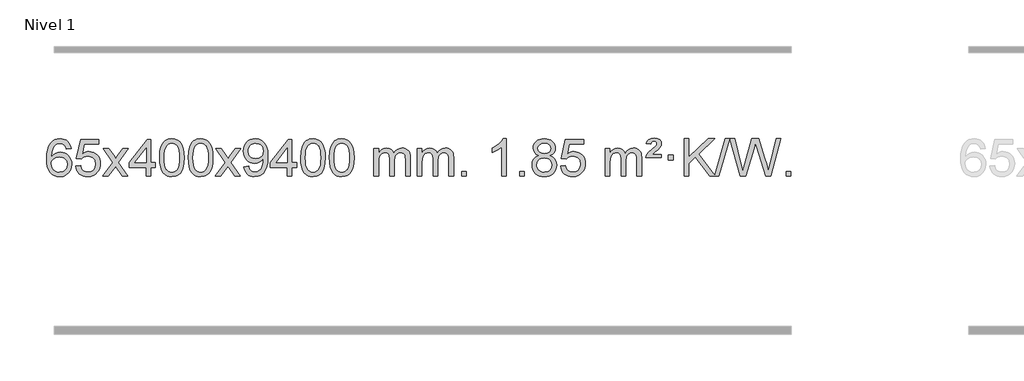
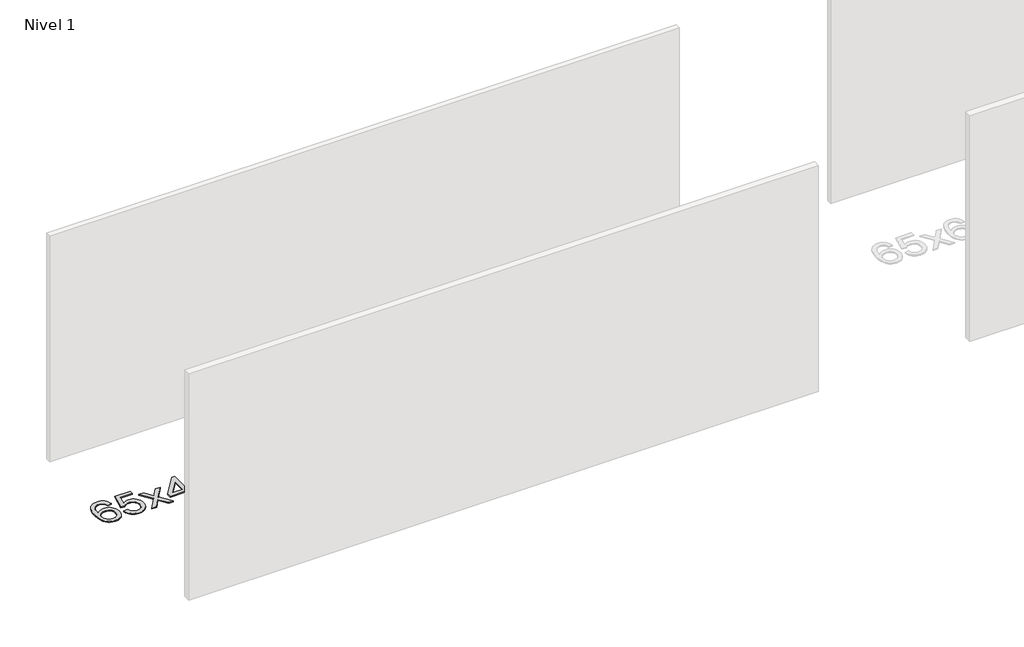
# One storey, part 4 of 12: 1 proxy.
"""IFC4 building model written with IfcOpenShell, lengths in millimetres."""

from ifc_helpers import new_model, si_unit, origin, origin_with_axes, place, context, project, spatial, polyline, outline, extrude, element, save

model = new_model("IFC4")

# Units and contexts
model_context = context("Model", 3, world=origin())
ifc_project = project(units=[si_unit("LENGTHUNIT", "METRE", prefix="MILLI")], contexts=[model_context])

# Site, building, storey
site = spatial("IfcSite", under=ifc_project)
building = spatial("IfcBuilding", under=site)
storey = spatial("IfcBuildingStorey", under=building, Name="Nivel 1", Elevation=0.0)

# Proxy
placement = place(None, origin())
element("IfcBuildingElementProxy", 1, Name="Texto de modelo 1", ObjectType="Texto de modelo 1", at=placement, inside=storey, context=model_context, shape_type="SweptSolid", body=[
    extrude(outline(polyline([(-11452.5741406, -3100.4890419), (-11502.8022957, -3106.7675613), (-11510.8956996, -3081.874213), (-11521.8340576, -3064.8780648), (-11544.6182158, -3049.2062918), (-11572.1603145, -3043.9823675), (-11595.5085585, -3047.0235253), (-11617.4833763, -3056.1469988), (-11636.3557227, -3075.3627017), (-11651.7699783, -3101.8134171), (-11662.1810387, -3139.227016), (-11666.0437997, -3191.3313693), (-11645.8961291, -3167.8237098), (-11621.7508075, -3151.2567573), (-11594.9567355, -3141.434308), (-11566.8628138, -3138.1601582), (-11542.7297549, -3140.398107), (-11520.4606315, -3147.1119534), (-11500.0554435, -3158.3016975), (-11481.5141909, -3173.9673391), (-11466.1060667, -3193.1769106), (-11455.1002637, -3214.9984443), (-11448.4967818, -3239.4319401), (-11446.2956212, -3266.4773982), (-11450.440425, -3302.4439945), (-11462.8748365, -3335.786366), (-11482.568786, -3364.0642287), (-11508.4922039, -3384.8372987), (-11539.4678679, -3397.602804), (-11574.3185556, -3401.8579724), (-11604.2610843, -3399.0375437), (-11631.3034766, -3390.5762579), (-11655.4457325, -3376.4741147), (-11676.6878521, -3356.7311143), (-11694.005897, -3330.5133908), (-11706.3759291, -3296.9870783), (-11713.7979483, -3256.1521768), (-11716.2719548, -3208.0086864), (-11713.5251025, -3154.0342663), (-11705.2845458, -3107.9693092), (-11691.5502847, -3069.8138149), (-11672.3223191, -3039.5677835), (-11651.481804, -3019.5243462), (-11627.3180883, -3005.2076052), (-11599.8311719, -2996.6175606), (-11569.0210548, -2993.7542124), (-11545.8874087, -2995.5261773), (-11524.9487918, -3000.8420722), (-11506.2052042, -3009.7018969), (-11489.6566457, -3022.1056515), (-11475.7507063, -3037.6364031), (-11464.9349757, -3055.8772186), (-11457.2094538, -3076.8280983), (-11452.5741406, -3100.4890419)]), holes=[polyline([(-11666.0437997, -3265.6925832), (-11663.1375319, -3287.9494439), (-11654.4187286, -3309.2007605), (-11640.8806712, -3327.472233), (-11623.516641, -3340.7895612), (-11602.5596301, -3348.9197533), (-11578.2426302, -3351.6298173), (-11545.0964624, -3346.0134855), (-11531.1813259, -3338.9930708), (-11519.0381544, -3329.1644901), (-11509.188114, -3316.9262824), (-11502.1523708, -3302.6769865), (-11496.5237763, -3268.1451299), (-11502.0787944, -3234.9989621), (-11509.0225671, -3221.3781312), (-11518.7438488, -3209.725469), (-11530.9238085, -3200.3904634), (-11545.2436152, -3193.7226022), (-11580.3027693, -3188.3883133), (-11613.3998862, -3193.7226022), (-11641.0768749, -3209.725469), (-11651.9999045, -3221.2248471), (-11659.8020685, -3234.3858254), (-11664.4833669, -3249.2084042), (-11666.0437997, -3265.6925832)])]), origin_with_axes(), (0.0, 0.0, 1.0), 10.0),
    extrude(outline(polyline([(-11402.3459855, -3288.8446235), (-11352.1178305, -3282.5661041), (-11342.8962551, -3312.7201649), (-11326.8075492, -3334.3148381), (-11303.9252891, -3347.3010725), (-11274.3230512, -3351.6298173), (-11255.1931875, -3350.1245668), (-11238.3196666, -3345.6088153), (-11223.7024887, -3338.0825628), (-11211.3416537, -3327.5458094), (-11201.513073, -3314.519721), (-11194.4926583, -3299.5254641), (-11188.8763265, -3263.6324441), (-11194.137039, -3229.8363514), (-11200.7129297, -3215.9181493), (-11209.9191766, -3203.9865099), (-11221.7864366, -3194.4154467), (-11236.3453666, -3187.5789729), (-11273.5382363, -3182.1097939), (-11297.9042871, -3184.2925604), (-11317.6350248, -3190.8408599), (-11333.3926369, -3200.8717757), (-11345.8393111, -3213.5023908), (-11396.0674662, -3207.2238715), (-11352.1178305, -3000.0327318), (-11157.4837296, -3000.0327318), (-11157.4837296, -3050.2608869), (-11311.5036582, -3050.2608869), (-11332.9879667, -3160.919791), (-11315.2621859, -3148.2155994), (-11297.1072095, -3139.1411769), (-11278.5230373, -3133.6965234), (-11259.5096696, -3131.8816388), (-11235.0485826, -3134.1318504), (-11212.5801897, -3140.882485), (-11192.104491, -3152.1335427), (-11173.6214864, -3167.8850234), (-11158.3206611, -3187.1743027), (-11147.3915002, -3209.038756), (-11140.8340036, -3233.4783832), (-11138.6481714, -3260.4931844), (-11140.6163401, -3286.5147042), (-11146.5208461, -3310.7213394), (-11156.3616895, -3333.1130902), (-11170.1388702, -3353.6899565), (-11191.0100421, -3374.7634634), (-11215.3638301, -3389.8159684), (-11243.2002344, -3398.8474714), (-11274.519255, -3401.8579724), (-11300.4396072, -3399.9235262), (-11323.8522305, -3394.1201877), (-11344.7571249, -3384.447957), (-11363.1542903, -3370.9068338), (-11378.461247, -3354.1712688), (-11390.0955151, -3334.915712), (-11398.0570946, -3313.1401636), (-11402.3459855, -3288.8446235)])), origin_with_axes(), (0.0, 0.0, 1.0), 10.0),
    extrude(outline(polyline([(-11113.5340939, -3395.579453), (-11006.2106531, -3247.2494325), (-11107.2555745, -3100.4890419), (-11046.8248254, -3100.4890419), (-10998.0681983, -3171.122385), (-10975.3085655, -3204.4770192), (-10955.5900906, -3177.2047007), (-10900.0644348, -3100.4890419), (-10839.6336857, -3100.4890419), (-10945.7799041, -3247.2494325), (-10843.5577603, -3395.579453), (-10903.9885094, -3395.579453), (-10965.498379, -3306.4048574), (-10976.7800935, -3290.1199477), (-11053.1033448, -3395.579453), (-11113.5340939, -3395.579453)])), origin_with_axes(), (0.0, 0.0, 1.0), 10.0),
    extrude(outline(polyline([(-10648.9236594, -3395.579453), (-10648.9236594, -3301.4016622), (-10831.0007216, -3301.4016622), (-10831.0007216, -3251.1735072), (-10636.3666207, -3000.0327318), (-10598.6955043, -3000.0327318), (-10598.6955043, -3251.1735072), (-10548.4673493, -3251.1735072), (-10548.4673493, -3301.4016622), (-10598.6955043, -3301.4016622), (-10598.6955043, -3395.579453), (-10648.9236594, -3395.579453)]), holes=[polyline([(-10648.9236594, -3251.1735072), (-10648.9236594, -3095.9763561), (-10769.1965464, -3251.1735072), (-10648.9236594, -3251.1735072)])]), origin_with_axes(), (0.0, 0.0, 1.0), 10.0),
    extrude(outline(polyline([(-10504.5177136, -3197.9041943), (-10500.8266309, -3133.5861588), (-10489.7533828, -3082.2911459), (-10471.408334, -3043.2343407), (-10459.550271, -3028.0009605), (-10445.901849, -3015.6309284), (-10430.4170827, -3006.0598651), (-10413.0499869, -2999.2233914), (-10372.6688065, -2993.7542124), (-10341.717668, -2996.991574), (-10314.003891, -3006.7036586), (-10290.8273253, -3022.5103217), (-10273.4878206, -3044.0314184), (-10260.3912216, -3071.0830078), (-10249.9433729, -3103.4811488), (-10243.1007678, -3144.6226186), (-10240.8198994, -3197.9041943), (-10244.4741939, -3261.8543477), (-10255.4370774, -3313.0267333), (-10273.6717616, -3352.1203266), (-10285.5022334, -3367.3996922), (-10299.1414584, -3379.8341036), (-10314.6446188, -3389.4695462), (-10332.066897, -3396.3520052), (-10372.6688065, -3401.8579724), (-10400.3335326, -3399.4667394), (-10424.8589989, -3392.2930405), (-10446.2452055, -3380.3368757), (-10464.4921525, -3363.5982449), (-10482.0033355, -3333.3399508), (-10494.5113233, -3295.6381776), (-10502.016116, -3250.4929255), (-10504.5177136, -3197.9041943)]), holes=[polyline([(-10454.2895585, -3197.8060924), (-10452.8180305, -3241.4706195), (-10448.4034466, -3276.8148822), (-10441.0458067, -3303.8388804), (-10430.7451108, -3322.5426142), (-10418.2861739, -3335.2682656), (-10404.4538109, -3344.3580165), (-10389.2480218, -3349.8118671), (-10372.6688065, -3351.6298173), (-10356.0895913, -3349.8057357), (-10340.8838021, -3344.3334911), (-10327.0514391, -3335.2130833), (-10314.5925022, -3322.4445124), (-10304.2918063, -3303.7101217), (-10296.9341664, -3276.6922549), (-10292.5195825, -3241.3909118), (-10291.0480545, -3197.8060924), (-10292.4705316, -3155.2973278), (-10296.7379627, -3120.5753989), (-10303.8503479, -3093.6403055), (-10313.8076873, -3074.4920476), (-10326.0581577, -3061.1440625), (-10340.0499363, -3051.6097875), (-10355.7830229, -3045.8892225), (-10373.2574177, -3043.9823675), (-10389.7507938, -3045.6623619), (-10404.6990656, -3050.7023452), (-10418.1022329, -3059.1023175), (-10429.9602959, -3070.8622786), (-10440.6043483, -3091.708925), (-10448.2072429, -3119.8151094), (-10452.7689796, -3155.1808319), (-10454.2895585, -3197.8060924)])]), origin_with_axes(), (0.0, 0.0, 1.0), 10.0),
    extrude(outline(polyline([(-10196.8702638, -3197.9041943), (-10193.1791811, -3133.5861588), (-10182.105933, -3082.2911459), (-10163.7608842, -3043.2343407), (-10151.9028212, -3028.0009605), (-10138.2543992, -3015.6309284), (-10122.7696329, -3006.0598651), (-10105.402537, -2999.2233914), (-10065.0213567, -2993.7542124), (-10034.0702182, -2996.991574), (-10006.3564412, -3006.7036586), (-9983.1798755, -3022.5103217), (-9965.8403708, -3044.0314184), (-9952.7437718, -3071.0830078), (-9942.2959231, -3103.4811488), (-9935.453318, -3144.6226186), (-9933.1724496, -3197.9041943), (-9936.8267441, -3261.8543477), (-9947.7896275, -3313.0267333), (-9966.0243118, -3352.1203266), (-9977.8547836, -3367.3996922), (-9991.4940086, -3379.8341036), (-10006.997169, -3389.4695462), (-10024.4194471, -3396.3520052), (-10065.0213567, -3401.8579724), (-10092.6860827, -3399.4667394), (-10117.2115491, -3392.2930405), (-10138.5977557, -3380.3368757), (-10156.8447027, -3363.5982449), (-10174.3558856, -3333.3399508), (-10186.8638735, -3295.6381776), (-10194.3686662, -3250.4929255), (-10196.8702638, -3197.9041943)]), holes=[polyline([(-10146.6421087, -3197.8060924), (-10145.1705807, -3241.4706195), (-10140.7559968, -3276.8148822), (-10133.3983568, -3303.8388804), (-10123.097661, -3322.5426142), (-10110.6387241, -3335.2682656), (-10096.8063611, -3344.3580165), (-10081.6005719, -3349.8118671), (-10065.0213567, -3351.6298173), (-10048.4421414, -3349.8057357), (-10033.2363523, -3344.3334911), (-10019.4039893, -3335.2130833), (-10006.9450524, -3322.4445124), (-9996.6443565, -3303.7101217), (-9989.2867166, -3276.6922549), (-9984.8721327, -3241.3909118), (-9983.4006047, -3197.8060924), (-9984.8230817, -3155.2973278), (-9989.0905129, -3120.5753989), (-9996.2028981, -3093.6403055), (-10006.1602375, -3074.4920476), (-10018.4107079, -3061.1440625), (-10032.4024864, -3051.6097875), (-10048.1355731, -3045.8892225), (-10065.6099679, -3043.9823675), (-10082.103344, -3045.6623619), (-10097.0516157, -3050.7023452), (-10110.4547831, -3059.1023175), (-10122.3128461, -3070.8622786), (-10132.9568985, -3091.708925), (-10140.559793, -3119.8151094), (-10145.1215298, -3155.1808319), (-10146.6421087, -3197.8060924)])]), origin_with_axes(), (0.0, 0.0, 1.0), 10.0),
    extrude(outline(polyline([(-9908.0583721, -3395.579453), (-9800.7349313, -3247.2494325), (-9901.7798527, -3100.4890419), (-9841.3491036, -3100.4890419), (-9792.5924765, -3171.122385), (-9769.8328437, -3204.4770192), (-9750.1143688, -3177.2047007), (-9694.588713, -3100.4890419), (-9634.1579639, -3100.4890419), (-9740.3041823, -3247.2494325), (-9638.0820385, -3395.579453), (-9698.5127876, -3395.579453), (-9760.0226572, -3306.4048574), (-9771.3043717, -3290.1199477), (-9847.627623, -3395.579453), (-9908.0583721, -3395.579453)])), origin_with_axes(), (0.0, 0.0, 1.0), 10.0),
    extrude(outline(polyline([(-9600.4109222, -3295.1231428), (-9550.1827672, -3288.8446235), (-9541.5988539, -3317.3554781), (-9527.6193381, -3336.7673847), (-9508.5875762, -3347.9142092), (-9484.8469248, -3351.6298173), (-9463.5465573, -3349.2385843), (-9444.1837016, -3342.0648854), (-9428.0949957, -3330.8935355), (-9416.6170774, -3316.5093495), (-9400.185015, -3272.8540194), (-9394.7403615, -3244.4535294), (-9392.925477, -3214.5815114), (-9393.2197826, -3204.7713248), (-9410.6206009, -3226.0103787), (-9433.3924964, -3242.8348486), (-9459.8922628, -3253.7977321), (-9488.4766938, -3257.4520265), (-9512.3369069, -3255.2202091), (-9534.2780022, -3248.5247568), (-9554.2999798, -3237.3656696), (-9572.4028397, -3221.7429475), (-9587.403228, -3202.4720624), (-9598.1177911, -3180.3684858), (-9604.546529, -3155.4322179), (-9606.6894416, -3127.6632586), (-9604.4422958, -3098.968463), (-9597.7008582, -3073.2167234), (-9586.4651289, -3050.4080397), (-9570.735108, -3030.5424119), (-9551.6205726, -3014.4475746), (-9530.2313003, -3002.9512623), (-9506.567291, -2996.0534749), (-9480.6285446, -2993.7542124), (-9443.1658948, -2999.0026622), (-9409.0632338, -3014.7480116), (-9380.5401165, -3040.2054457), (-9359.8160974, -3074.5901495), (-9347.197745, -3122.1205032), (-9342.9916275, -3187.0148872), (-9347.1854822, -3255.821083), (-9359.7670465, -3309.0045568), (-9380.6259556, -3348.9688042), (-9394.1180278, -3364.8950289), (-9409.651845, -3378.117321), (-9426.9147076, -3388.503856), (-9445.5939159, -3395.9228095), (-9487.2013696, -3401.8579724), (-9509.7586673, -3400.1074672), (-9530.1454612, -3394.8559517), (-9548.3617513, -3386.1034259), (-9564.4075376, -3373.8498898), (-9577.87815, -3358.4264372), (-9588.3689183, -3340.1641618), (-9595.8798423, -3319.0630637), (-9600.4109222, -3295.1231428)]), holes=[polyline([(-9393.2197826, -3126.4860363), (-9398.6399106, -3092.444689), (-9405.4150707, -3078.3670713), (-9414.9002948, -3066.2514909), (-9426.6295991, -3056.5087494), (-9440.1369997, -3049.5496483), (-9472.4860898, -3043.9823675), (-9490.0953746, -3045.4814866), (-9506.0369277, -3049.978844), (-9520.3107492, -3057.4744396), (-9532.9168389, -3067.9682736), (-9543.2175347, -3080.8472091), (-9550.5751746, -3095.4981095), (-9554.9897586, -3111.9209749), (-9556.4612865, -3130.1158053), (-9550.8940057, -3161.1527829), (-9543.9349046, -3174.2708417), (-9534.1921631, -3185.7886139), (-9522.0704514, -3195.1665391), (-9507.9744396, -3201.8650571), (-9473.8595159, -3207.2238715), (-9441.7679432, -3201.8650571), (-9415.9303644, -3185.7886139), (-9405.9944848, -3174.0439812), (-9398.897428, -3160.2453407), (-9393.2197826, -3126.4860363)])]), origin_with_axes(), (0.0, 0.0, 1.0), 10.0),
    extrude(outline(polyline([(-9135.8004878, -3395.579453), (-9135.8004878, -3301.4016622), (-9317.8775499, -3301.4016622), (-9317.8775499, -3251.1735072), (-9123.243449, -3000.0327318), (-9085.5723327, -3000.0327318), (-9085.5723327, -3251.1735072), (-9035.3441776, -3251.1735072), (-9035.3441776, -3301.4016622), (-9085.5723327, -3301.4016622), (-9085.5723327, -3395.579453), (-9135.8004878, -3395.579453)]), holes=[polyline([(-9135.8004878, -3251.1735072), (-9135.8004878, -3095.9763561), (-9256.0733748, -3251.1735072), (-9135.8004878, -3251.1735072)])]), origin_with_axes(), (0.0, 0.0, 1.0), 10.0),
    extrude(outline(polyline([(-8991.394542, -3197.9041943), (-8987.7034593, -3133.5861588), (-8976.6302112, -3082.2911459), (-8958.2851624, -3043.2343407), (-8946.4270994, -3028.0009605), (-8932.7786774, -3015.6309284), (-8917.2939111, -3006.0598651), (-8899.9268152, -2999.2233914), (-8859.5456349, -2993.7542124), (-8828.5944964, -2996.991574), (-8800.8807194, -3006.7036586), (-8777.7041537, -3022.5103217), (-8760.364649, -3044.0314184), (-8747.26805, -3071.0830078), (-8736.8202013, -3103.4811488), (-8729.9775962, -3144.6226186), (-8727.6967278, -3197.9041943), (-8731.3510223, -3261.8543477), (-8742.3139058, -3313.0267333), (-8760.54859, -3352.1203266), (-8772.3790618, -3367.3996922), (-8786.0182868, -3379.8341036), (-8801.5214472, -3389.4695462), (-8818.9437253, -3396.3520052), (-8859.5456349, -3401.8579724), (-8887.2103609, -3399.4667394), (-8911.7358273, -3392.2930405), (-8933.1220339, -3380.3368757), (-8951.3689809, -3363.5982449), (-8968.8801639, -3333.3399508), (-8981.3881517, -3295.6381776), (-8988.8929444, -3250.4929255), (-8991.394542, -3197.9041943)]), holes=[polyline([(-8941.1663869, -3197.8060924), (-8939.6948589, -3241.4706195), (-8935.280275, -3276.8148822), (-8927.9226351, -3303.8388804), (-8917.6219392, -3322.5426142), (-8905.1630023, -3335.2682656), (-8891.3306393, -3344.3580165), (-8876.1248501, -3349.8118671), (-8859.5456349, -3351.6298173), (-8842.9664196, -3349.8057357), (-8827.7606305, -3344.3334911), (-8813.9282675, -3335.2130833), (-8801.4693306, -3322.4445124), (-8791.1686347, -3303.7101217), (-8783.8109948, -3276.6922549), (-8779.3964109, -3241.3909118), (-8777.9248829, -3197.8060924), (-8779.3473599, -3155.2973278), (-8783.6147911, -3120.5753989), (-8790.7271763, -3093.6403055), (-8800.6845157, -3074.4920476), (-8812.9349861, -3061.1440625), (-8826.9267646, -3051.6097875), (-8842.6598513, -3045.8892225), (-8860.1342461, -3043.9823675), (-8876.6276222, -3045.6623619), (-8891.5758939, -3050.7023452), (-8904.9790613, -3059.1023175), (-8916.8371243, -3070.8622786), (-8927.4811767, -3091.708925), (-8935.0840712, -3119.8151094), (-8939.645808, -3155.1808319), (-8941.1663869, -3197.8060924)])]), origin_with_axes(), (0.0, 0.0, 1.0), 10.0),
    extrude(outline(polyline([(-8683.7470921, -3197.9041943), (-8680.0560094, -3133.5861588), (-8668.9827614, -3082.2911459), (-8650.6377126, -3043.2343407), (-8638.7796496, -3028.0009605), (-8625.1312276, -3015.6309284), (-8609.6464612, -3006.0598651), (-8592.2793654, -2999.2233914), (-8551.8981851, -2993.7542124), (-8520.9470465, -2996.991574), (-8493.2332696, -3006.7036586), (-8470.0567039, -3022.5103217), (-8452.7171992, -3044.0314184), (-8439.6206001, -3071.0830078), (-8429.1727515, -3103.4811488), (-8422.3301463, -3144.6226186), (-8420.049278, -3197.9041943), (-8423.7035725, -3261.8543477), (-8434.6664559, -3313.0267333), (-8452.9011401, -3352.1203266), (-8464.731612, -3367.3996922), (-8478.3708369, -3379.8341036), (-8493.8739974, -3389.4695462), (-8511.2962755, -3396.3520052), (-8551.8981851, -3401.8579724), (-8579.5629111, -3399.4667394), (-8604.0883774, -3392.2930405), (-8625.4745841, -3380.3368757), (-8643.721531, -3363.5982449), (-8661.232714, -3333.3399508), (-8673.7407019, -3295.6381776), (-8681.2454946, -3250.4929255), (-8683.7470921, -3197.9041943)]), holes=[polyline([(-8633.518937, -3197.8060924), (-8632.0474091, -3241.4706195), (-8627.6328251, -3276.8148822), (-8620.2751852, -3303.8388804), (-8609.9744894, -3322.5426142), (-8597.5155525, -3335.2682656), (-8583.6831894, -3344.3580165), (-8568.4774003, -3349.8118671), (-8551.8981851, -3351.6298173), (-8535.3189698, -3349.8057357), (-8520.1131807, -3344.3334911), (-8506.2808176, -3335.2130833), (-8493.8218807, -3322.4445124), (-8483.5211849, -3303.7101217), (-8476.163545, -3276.6922549), (-8471.748961, -3241.3909118), (-8470.2774331, -3197.8060924), (-8471.6999101, -3155.2973278), (-8475.9673412, -3120.5753989), (-8483.0797265, -3093.6403055), (-8493.0370658, -3074.4920476), (-8505.2875363, -3061.1440625), (-8519.2793148, -3051.6097875), (-8535.0124015, -3045.8892225), (-8552.4867962, -3043.9823675), (-8568.9801724, -3045.6623619), (-8583.9284441, -3050.7023452), (-8597.3316115, -3059.1023175), (-8609.1896744, -3070.8622786), (-8619.8337268, -3091.708925), (-8627.4366214, -3119.8151094), (-8631.9983581, -3155.1808319), (-8633.518937, -3197.8060924)])]), origin_with_axes(), (0.0, 0.0, 1.0), 10.0),
    extrude(outline(polyline([(-8206.5796189, -3395.579453), (-8206.5796189, -3100.4890419), (-8156.3514638, -3100.4890419), (-8156.3514638, -3149.0494653), (-8141.2437766, -3126.7435537), (-8121.8196072, -3109.2691589), (-8098.7411434, -3097.9751816), (-8072.6705727, -3094.2105225), (-8044.7360665, -3098.048758), (-8022.3443157, -3109.5634645), (-8005.6179477, -3127.9943524), (-7994.6795897, -3152.5811324), (-7976.3713291, -3127.0439906), (-7955.4878945, -3108.803175), (-7932.0292859, -3097.8586857), (-7905.9955034, -3094.2105225), (-7885.8876867, -3095.7280358), (-7868.2385479, -3100.2805755), (-7853.0480872, -3107.8681416), (-7840.3163045, -3118.4907342), (-7830.2516663, -3132.2709806), (-7823.0626389, -3149.3315082), (-7818.7492225, -3169.6723168), (-7817.3114171, -3193.2934066), (-7817.3114171, -3395.579453), (-7867.5395722, -3395.579453), (-7867.5395722, -3214.875817), (-7868.7045318, -3189.8230531), (-7872.1994108, -3172.9372695), (-7878.7477103, -3161.3735121), (-7889.0729316, -3152.2868268), (-7902.3534716, -3146.4007149), (-7917.7677272, -3144.4386776), (-7944.9787321, -3149.4663982), (-7967.1620165, -3164.54956), (-7975.7673895, -3176.1194488), (-7981.9140845, -3190.7182326), (-7986.8314405, -3229.0024856), (-7986.8314405, -3395.579453), (-8037.0595955, -3395.579453), (-8037.0595955, -3209.2840106), (-8039.9658633, -3180.8835206), (-8048.6846666, -3160.6254854), (-8064.0253458, -3148.4853796), (-8086.7972413, -3144.4386776), (-8106.1478342, -3147.1364789), (-8123.9778483, -3155.2298828), (-8138.6931281, -3168.5226856), (-8148.6995183, -3186.8186835), (-8154.4384775, -3212.2025411), (-8156.3514638, -3246.7589232), (-8156.3514638, -3395.579453), (-8206.5796189, -3395.579453)])), origin_with_axes(), (0.0, 0.0, 1.0), 10.0),
    extrude(outline(polyline([(-7741.9691845, -3395.579453), (-7741.9691845, -3100.4890419), (-7691.7410294, -3100.4890419), (-7691.7410294, -3149.0494653), (-7676.6333421, -3126.7435537), (-7657.2091728, -3109.2691589), (-7634.130709, -3097.9751816), (-7608.0601382, -3094.2105225), (-7580.1256321, -3098.048758), (-7557.7338813, -3109.5634645), (-7541.0075132, -3127.9943524), (-7530.0691552, -3152.5811324), (-7511.7608946, -3127.0439906), (-7490.87746, -3108.803175), (-7467.4188515, -3097.8586857), (-7441.3850689, -3094.2105225), (-7421.2772522, -3095.7280358), (-7403.6281135, -3100.2805755), (-7388.4376528, -3107.8681416), (-7375.7058701, -3118.4907342), (-7365.6412318, -3132.2709806), (-7358.4522045, -3149.3315082), (-7354.1387881, -3169.6723168), (-7352.7009826, -3193.2934066), (-7352.7009826, -3395.579453), (-7402.9291377, -3395.579453), (-7402.9291377, -3214.875817), (-7404.0940974, -3189.8230531), (-7407.5889763, -3172.9372695), (-7414.1372758, -3161.3735121), (-7424.4624972, -3152.2868268), (-7437.7430372, -3146.4007149), (-7453.1572928, -3144.4386776), (-7480.3682977, -3149.4663982), (-7502.551582, -3164.54956), (-7511.156955, -3176.1194488), (-7517.30365, -3190.7182326), (-7522.221006, -3229.0024856), (-7522.221006, -3395.579453), (-7572.4491611, -3395.579453), (-7572.4491611, -3209.2840106), (-7575.3554289, -3180.8835206), (-7584.0742321, -3160.6254854), (-7599.4149113, -3148.4853796), (-7622.1868068, -3144.4386776), (-7641.5373998, -3147.1364789), (-7659.3674138, -3155.2298828), (-7674.0826936, -3168.5226856), (-7684.0890839, -3186.8186835), (-7689.828043, -3212.2025411), (-7691.7410294, -3246.7589232), (-7691.7410294, -3395.579453), (-7741.9691845, -3395.579453)])), origin_with_axes(), (0.0, 0.0, 1.0), 10.0),
    extrude(outline(polyline([(-7264.8017113, -3395.579453), (-7264.8017113, -3345.3512979), (-7214.5735562, -3345.3512979), (-7214.5735562, -3395.579453), (-7264.8017113, -3395.579453)])), origin_with_axes(), (0.0, 0.0, 1.0), 10.0),
    extrude(outline(polyline([(-6787.634238, -3395.579453), (-6837.8623931, -3395.579453), (-6837.8623931, -3082.4382987), (-6858.8316668, -3099.3976587), (-6885.4417978, -3116.3324932), (-6938.3187033, -3141.6918254), (-6938.3187033, -3094.2105225), (-6898.8694907, -3072.7507395), (-6864.6932533, -3047.219729), (-6837.7520285, -3020.0700378), (-6820.0078536, -2993.7542124), (-6787.634238, -2993.7542124), (-6787.634238, -3395.579453)])), origin_with_axes(), (0.0, 0.0, 1.0), 10.0),
    extrude(outline(polyline([(-6643.2282922, -3395.579453), (-6643.2282922, -3345.3512979), (-6593.0001371, -3345.3512979), (-6593.0001371, -3395.579453), (-6643.2282922, -3395.579453)])), origin_with_axes(), (0.0, 0.0, 1.0), 10.0),
    extrude(outline(polyline([(-6438.1953936, -3174.2616447), (-6465.0875674, -3161.0178929), (-6483.9599138, -3143.0652515), (-6495.1067382, -3120.7716026), (-6498.8223464, -3094.5048281), (-6496.7989954, -3074.0199324), (-6490.7289425, -3055.2395565), (-6480.6121876, -3038.1637006), (-6466.4487308, -3022.7923645), (-6448.9191537, -3010.088173), (-6428.7040381, -3001.0137504), (-6405.8033839, -2995.5690969), (-6380.2171911, -2993.7542124), (-6354.508371, -2995.6120165), (-6331.4360386, -3001.1854287), (-6311.0001937, -3010.4744491), (-6293.2008365, -3023.4790776), (-6278.7798623, -3039.1508506), (-6268.4791665, -3056.4413044), (-6262.2987489, -3075.3504389), (-6260.2386098, -3095.8782543), (-6263.905167, -3121.2989001), (-6274.9048386, -3143.2124043), (-6293.3602521, -3161.0546811), (-6319.3940346, -3174.2616447), (-6288.4796843, -3190.1909351), (-6265.9775689, -3213.6495436), (-6252.2555705, -3243.5092989), (-6247.681571, -3278.6420295), (-6249.9501766, -3303.6947933), (-6256.7559935, -3326.6628926), (-6268.0990217, -3347.5463272), (-6283.9792612, -3366.3450971), (-6303.5628461, -3381.88198), (-6326.0159105, -3392.9797536), (-6351.3384545, -3399.6384177), (-6379.5304781, -3401.8579724), (-6407.7225016, -3399.6292206), (-6433.0450456, -3392.9429654), (-6455.4981101, -3381.7992066), (-6475.0816949, -3366.1979443), (-6490.9619344, -3347.26735), (-6502.3049626, -3326.135595), (-6509.1107795, -3302.8026795), (-6511.3793851, -3277.2686033), (-6506.6214447, -3240.7747094), (-6492.3476233, -3210.7555386), (-6469.2936849, -3188.2411605), (-6438.1953936, -3174.2616447)]), holes=[polyline([(-6461.1512301, -3275.5027698), (-6459.0543027, -3294.7184726), (-6452.7635206, -3313.3210389), (-6441.1507123, -3329.5446349), (-6423.0877063, -3341.623427), (-6401.456245, -3349.1282197), (-6379.1380706, -3351.6298173), (-6344.9495705, -3346.3691048), (-6331.0558938, -3339.7932141), (-6319.2959327, -3330.5869672), (-6303.2562777, -3306.6869002), (-6297.9097261, -3277.0723996), (-6303.427956, -3246.9551269), (-6319.9826458, -3222.5277625), (-6332.061438, -3213.0854579), (-6346.2248948, -3206.3409547), (-6380.8058023, -3200.9453521), (-6414.5160558, -3206.2673783), (-6428.2533826, -3212.919911), (-6439.9121762, -3222.2334569), (-6455.8414666, -3246.1948375), (-6461.1512301, -3275.5027698)]), polyline([(-6448.5941913, -3095.9763561), (-6444.1428192, -3117.902123), (-6430.7887027, -3135.413306), (-6408.9242495, -3146.8912243), (-6378.9418669, -3150.717197), (-6349.6584601, -3146.9157497), (-6328.1251006, -3135.5114079), (-6314.8813488, -3118.5888361), (-6310.4667648, -3098.232699), (-6315.0285016, -3077.1040098), (-6328.7137118, -3059.629615), (-6350.5413768, -3047.8941794), (-6379.5304781, -3043.9823675), (-6408.7035203, -3047.8083402), (-6430.4943971, -3059.2862585), (-6444.0692428, -3076.1107284), (-6448.5941913, -3095.9763561)])]), origin_with_axes(), (0.0, 0.0, 1.0), 10.0),
    extrude(outline(polyline([(-6203.7319353, -3288.8446235), (-6153.5037802, -3282.5661041), (-6144.2822049, -3312.7201649), (-6128.193499, -3334.3148381), (-6105.3112389, -3347.3010725), (-6075.709001, -3351.6298173), (-6056.5791372, -3350.1245668), (-6039.7056164, -3345.6088153), (-6025.0884384, -3338.0825628), (-6012.7276034, -3327.5458094), (-6002.8990228, -3314.519721), (-5995.878608, -3299.5254641), (-5990.2622762, -3263.6324441), (-5995.5229888, -3229.8363514), (-6002.0988794, -3215.9181493), (-6011.3051264, -3203.9865099), (-6023.1723864, -3194.4154467), (-6037.7313163, -3187.5789729), (-6074.9241861, -3182.1097939), (-6099.2902369, -3184.2925604), (-6119.0209745, -3190.8408599), (-6134.7785867, -3200.8717757), (-6147.2252608, -3213.5023908), (-6197.4534159, -3207.2238715), (-6153.5037802, -3000.0327318), (-5958.8696793, -3000.0327318), (-5958.8696793, -3050.2608869), (-6112.889608, -3050.2608869), (-6134.3739165, -3160.919791), (-6116.6481357, -3148.2155994), (-6098.4931592, -3139.1411769), (-6079.9089871, -3133.6965234), (-6060.8956193, -3131.8816388), (-6036.4345323, -3134.1318504), (-6013.9661395, -3140.882485), (-5993.4904407, -3152.1335427), (-5975.0074362, -3167.8850234), (-5959.7066109, -3187.1743027), (-5948.7774499, -3209.038756), (-5942.2199533, -3233.4783832), (-5940.0341212, -3260.4931844), (-5942.0022898, -3286.5147042), (-5947.9067959, -3310.7213394), (-5957.7476392, -3333.1130902), (-5971.5248199, -3353.6899565), (-5992.3959918, -3374.7634634), (-6016.7497799, -3389.8159684), (-6044.5861842, -3398.8474714), (-6075.9052047, -3401.8579724), (-6101.825557, -3399.9235262), (-6125.2381803, -3394.1201877), (-6146.1430746, -3384.447957), (-6164.5402401, -3370.9068338), (-6179.8471968, -3354.1712688), (-6191.4814649, -3334.915712), (-6199.4430444, -3313.1401636), (-6203.7319353, -3288.8446235)])), origin_with_axes(), (0.0, 0.0, 1.0), 10.0),
    extrude(outline(polyline([(-5726.5644621, -3395.579453), (-5726.5644621, -3100.4890419), (-5676.336307, -3100.4890419), (-5676.336307, -3149.0494653), (-5661.2286197, -3126.7435537), (-5641.8044504, -3109.2691589), (-5618.7259866, -3097.9751816), (-5592.6554158, -3094.2105225), (-5564.7209097, -3098.048758), (-5542.3291589, -3109.5634645), (-5525.6027909, -3127.9943524), (-5514.6644329, -3152.5811324), (-5496.3561722, -3127.0439906), (-5475.4727377, -3108.803175), (-5452.0141291, -3097.8586857), (-5425.9803466, -3094.2105225), (-5405.8725298, -3095.7280358), (-5388.2233911, -3100.2805755), (-5373.0329304, -3107.8681416), (-5360.3011477, -3118.4907342), (-5350.2365094, -3132.2709806), (-5343.0474821, -3149.3315082), (-5338.7340657, -3169.6723168), (-5337.2962603, -3193.2934066), (-5337.2962603, -3395.579453), (-5387.5244153, -3395.579453), (-5387.5244153, -3214.875817), (-5388.689375, -3189.8230531), (-5392.1842539, -3172.9372695), (-5398.7325535, -3161.3735121), (-5409.0577748, -3152.2868268), (-5422.3383148, -3146.4007149), (-5437.7525704, -3144.4386776), (-5464.9635753, -3149.4663982), (-5487.1468596, -3164.54956), (-5495.7522326, -3176.1194488), (-5501.8989276, -3190.7182326), (-5506.8162836, -3229.0024856), (-5506.8162836, -3395.579453), (-5557.0444387, -3395.579453), (-5557.0444387, -3209.2840106), (-5559.9507065, -3180.8835206), (-5568.6695098, -3160.6254854), (-5584.010189, -3148.4853796), (-5606.7820845, -3144.4386776), (-5626.1326774, -3147.1364789), (-5643.9626914, -3155.2298828), (-5658.6779713, -3168.5226856), (-5668.6843615, -3186.8186835), (-5674.4233206, -3212.2025411), (-5676.336307, -3246.7589232), (-5676.336307, -3395.579453), (-5726.5644621, -3395.579453)])), origin_with_axes(), (0.0, 0.0, 1.0), 10.0),
    extrude(outline(polyline([(-5293.3466246, -3194.6668327), (-5289.5206518, -3178.8479069), (-5281.1819933, -3162.9799302), (-5259.6731593, -3137.8413272), (-5227.7164766, -3110.1030247), (-5183.5706372, -3072.726214), (-5176.4337265, -3061.1992448), (-5174.0547563, -3049.3779701), (-5175.9432172, -3037.2869152), (-5181.6085999, -3027.5012541), (-5190.977328, -3021.026531), (-5203.9758252, -3018.8682899), (-5216.4102366, -3020.4869707), (-5225.26393, -3025.343013), (-5231.6896022, -3034.8098431), (-5236.8399501, -3050.2608869), (-5287.0681052, -3043.9823675), (-5276.2278491, -3018.7701881), (-5259.5995829, -3001.2099542), (-5235.834406, -2990.9092583), (-5203.5834178, -2987.475693), (-5167.8007624, -2991.6082341), (-5143.0545668, -3004.0058573), (-5128.6335926, -3022.3386434), (-5123.8266012, -3044.2766731), (-5127.9223541, -3067.1834586), (-5140.2096127, -3088.8149199), (-5160.737428, -3108.6314968), (-5197.2067965, -3136.6886303), (-5222.8113834, -3163.2742358), (-5123.8266012, -3163.2742358), (-5123.8266012, -3194.6668327), (-5293.3466246, -3194.6668327)])), origin_with_axes(), (0.0, 0.0, 1.0), 10.0),
    extrude(outline(polyline([(-5048.4843686, -3219.7809102), (-5048.4843686, -3169.5527552), (-4998.2562135, -3169.5527552), (-4998.2562135, -3219.7809102), (-5048.4843686, -3219.7809102)])), origin_with_axes(), (0.0, 0.0, 1.0), 10.0),
    extrude(outline(polyline([(-4607.6145856, -3395.579453), (-4761.045903, -3192.9009991), (-4828.7361901, -3257.4520265), (-4828.7361901, -3395.579453), (-4878.9643452, -3395.579453), (-4878.9643452, -2993.7542124), (-4828.7361901, -2993.7542124), (-4828.7361901, -3190.4484525), (-4622.7222728, -2993.7542124), (-4552.4813372, -2993.7542124), (-4725.4349259, -3158.9577537), (-4550.781316, -3389.5349332), (-4439.4679883, -2993.7542124), (-4394.1449265, -2993.7542124), (-4507.1582754, -3395.579453), (-4546.2028178, -3395.579453), (-4552.4813372, -3395.579453), (-4607.6145856, -3395.579453)])), origin_with_axes(), (0.0, 0.0, 1.0), 10.0),
    extrude(outline(polyline([(-4279.6600496, -3395.579453), (-4389.2398332, -2993.7542124), (-4337.4420483, -2993.7542124), (-4273.8720395, -3257.844434), (-4254.2516665, -3339.3670841), (-4233.2578673, -3267.2622131), (-4153.5991526, -2993.7542124), (-4078.943633, -2993.7542124), (-4021.0635325, -3192.0180823), (-3996.268286, -3265.5944814), (-3977.9968136, -3339.3670841), (-3958.9650517, -3260.1988788), (-3894.8064317, -2993.7542124), (-3843.0086468, -2993.7542124), (-3952.6865323, -3395.579453), (-4006.3482526, -3395.579453), (-4102.6842845, -3085.5775584), (-4116.12424, -3042.3146358), (-4131.2319273, -3094.4067263), (-4219.0330968, -3395.579453), (-4279.6600496, -3395.579453)])), origin_with_axes(), (0.0, 0.0, 1.0), 10.0),
    extrude(outline(polyline([(-3786.5019723, -3395.579453), (-3786.5019723, -3345.3512979), (-3736.2738173, -3345.3512979), (-3736.2738173, -3395.579453), (-3786.5019723, -3395.579453)])), origin_with_axes(), (0.0, 0.0, 1.0), 10.0),
])

save(model, "model.ifc")
